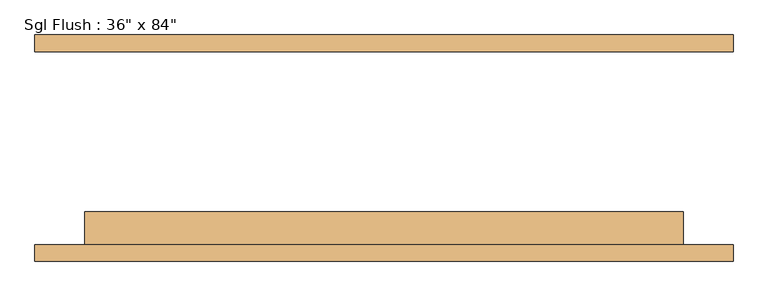
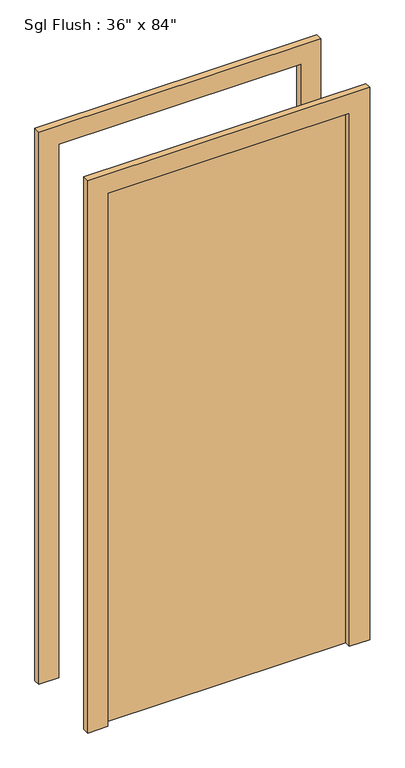
"""IFC4 building model written with IfcOpenShell, lengths in millimetres: door geometry."""

from ifc_helpers import new_model, si_unit, frame, origin, origin_with_axes, place, context, project, spatial, polyline, outline, extrude, source, transform, mapped, element, save


def door_617da642(model_context):
    return source(origin(), model_context, "Body", "SweptSolid", [
        extrude(outline(polyline([(2209.8, -533.4), (0.0, -533.4), (0.0, -457.2), (2133.6, -457.2), (2133.6, 457.2), (0.0, 457.2), (0.0, 533.4), (2209.8, 533.4), (2209.8, -533.4)])), frame((0.0, -173.0375, 0.0), z_axis=(0.0, 1.0, 0.0), x_axis=(0.0, 0.0, 1.0)), (0.0, 0.0, 1.0), 25.4),
        extrude(outline(polyline([(2209.8, 533.4), (2209.8, -533.4), (0.0, -533.4), (0.0, -457.2), (2133.6, -457.2), (2133.6, 457.2), (0.0, 457.2), (0.0, 533.4), (2209.8, 533.4)])), frame((0.0, 147.6375, 0.0), z_axis=(0.0, 1.0, 0.0), x_axis=(0.0, 0.0, 1.0)), (0.0, 0.0, 1.0), 25.4),
        extrude(outline(polyline([(457.2, -96.8375), (457.2, -147.6375), (-457.2, -147.6375), (-457.2, -96.8375), (457.2, -96.8375)])), origin_with_axes(), (0.0, 0.0, 1.0), 2133.6),
    ])


if __name__ == "__main__":
    model = new_model("IFC4")
    model_context = context("Model", 3, world=origin())
    ifc_project = project(units=[si_unit("LENGTHUNIT", "METRE", prefix="MILLI")], contexts=[model_context])
    site = spatial("IfcSite", under=ifc_project)
    building = spatial("IfcBuilding", under=site)
    placement = place(None, origin())
    door_shape = door_617da642(model_context)
    element("IfcDoor", 1, ObjectType="Sgl Flush : 36\" x 84\"", at=placement, inside=building, context=model_context, shape_type="MappedRepresentation", body=[
        mapped(door_shape, transform((0.0, 0.0, 0.0), x_axis=(1.0, 0.0, 0.0), y_axis=(0.0, 1.0, 0.0), z_axis=(0.0, 0.0, 1.0))),
    ])
    save(model, "model.ifc")
